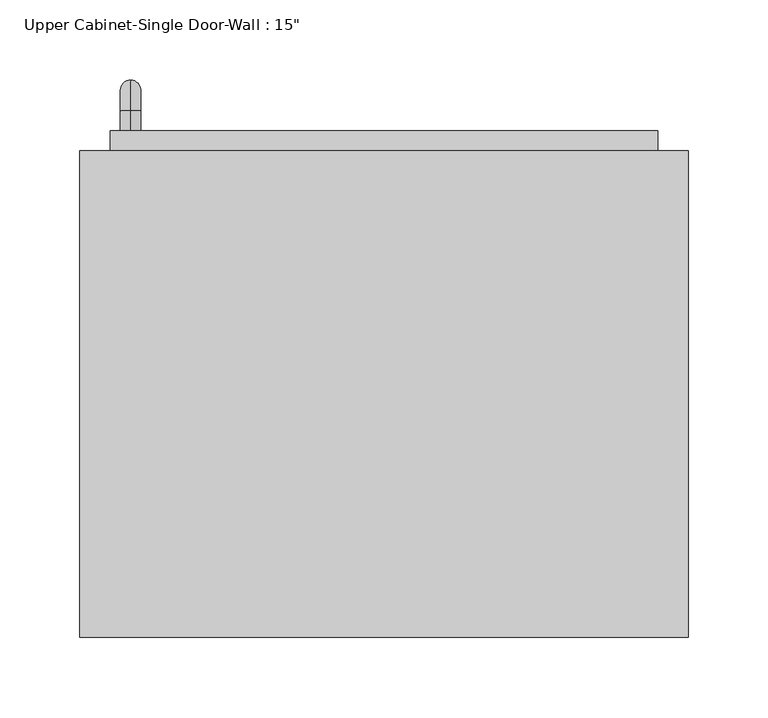
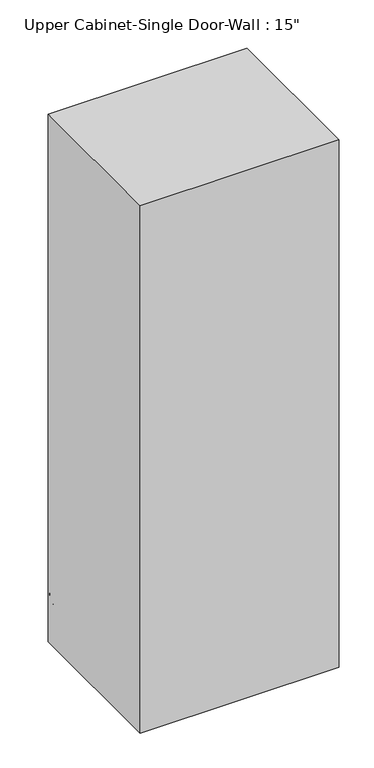
"""IFC4 building model written with IfcOpenShell, lengths in millimetres: furniture geometry."""

from ifc_helpers import new_model, si_unit, point, frame, origin, place, context, project, spatial, polyline, circle_curve, ellipse_curve, trimmed, outline, extrude, faceted_brep, source, transform, mapped, element, save
from ifc_brep_helpers import plane_surface, cylinder_surface, revolved_surface, advanced_brep


def furniture_750049b1(model_context):
    return source(origin(), model_context, "Body", "SolidModel", [
        faceted_brep([(-160.7288372, 53.975, 2133.6), (-160.7288372, 53.975, 1066.8), (220.2711628, 53.975, 1066.8), (220.2711628, 53.975, 2133.6), (-160.7288372, 358.775, 2133.6), (220.2711628, 358.775, 2133.6), (220.2711628, 358.775, 1066.8), (-160.7288372, 358.775, 1066.8), (-141.6788372, 358.775, 2114.55), (-141.6788372, 358.775, 1085.85), (201.2211628, 358.775, 1085.85), (201.2211628, 358.775, 2114.55), (201.2211628, 73.025, 2114.55), (-141.6788372, 73.025, 2114.55), (201.2211628, 73.025, 1085.85), (-141.6788372, 73.025, 1085.85)], [[[0, 1, 2, 3]], [[4, 5, 6, 7], [8, 9, 10, 11]], [[1, 0, 4, 7]], [[2, 1, 7, 6]], [[3, 2, 6, 5]], [[0, 3, 5, 4]], [[8, 11, 12, 13]], [[11, 10, 14, 12]], [[10, 9, 15, 14]], [[9, 8, 13, 15]], [[13, 12, 14, 15]]]),
        advanced_brep(
        [(-128.9788372, 371.475, 1212.85), (-128.9788372, 371.475, 1225.55), (-128.9788372, 384.175, 1212.85), (-128.9788372, 384.175, 1225.55), (-128.9788372, 403.225, 1206.5), (-128.9788372, 390.525, 1206.5), (-128.9788372, 390.525, 1130.3), (-128.9788372, 403.225, 1130.3), (-128.9788372, 384.175, 1111.25), (-128.9788372, 384.175, 1123.95), (-128.9788372, 371.475, 1123.95), (-128.9788372, 371.475, 1111.25)],
        [
            (0, 1, circle_curve(frame((-128.9788372, 371.475, 1219.2), z_axis=(0.0, -1.0, 0.0), x_axis=(0.0, 0.0, 1.0)), 6.35)),
            (1, 0, circle_curve(frame((-128.9788372, 371.475, 1219.2), z_axis=(0.0, -1.0, 0.0), x_axis=(0.0, 0.0, 1.0)), 6.35)),
            (0, 2),
            (2, 3, circle_curve(frame((-128.9788372, 384.175, 1219.2), z_axis=(0.0, -1.0, 0.0), x_axis=(0.0, 0.0, 1.0)), 6.35)),
            (3, 1),
            (3, 2, circle_curve(frame((-128.9788372, 384.175, 1219.2), z_axis=(0.0, -1.0, 0.0), x_axis=(0.0, 0.0, 1.0)), 6.35)),
            (4, 3, circle_curve(frame((-128.9788372, 384.175, 1206.5), z_axis=(1.0, 0.0, 0.0), x_axis=(0.0, 0.0, 1.0)), 19.05)),
            (2, 5, circle_curve(frame((-128.9788372, 384.175, 1206.5), z_axis=(-1.0, 0.0, 0.0), x_axis=(0.0, 0.0, 1.0)), 6.35)),
            (5, 4, circle_curve(frame((-128.9788372, 396.875, 1206.5), z_axis=(0.0, 0.0, 1.0), x_axis=(0.0, 1.0, 0.0)), 6.35)),
            (4, 5, circle_curve(frame((-128.9788372, 396.875, 1206.5), z_axis=(0.0, 0.0, 1.0), x_axis=(0.0, 1.0, 0.0)), 6.35)),
            (5, 6),
            (6, 7, circle_curve(frame((-128.9788372, 396.875, 1130.3), z_axis=(0.0, 0.0, 1.0), x_axis=(0.0, 1.0, 0.0)), 6.35)),
            (7, 4),
            (7, 6, circle_curve(frame((-128.9788372, 396.875, 1130.3), z_axis=(0.0, 0.0, 1.0), x_axis=(0.0, 1.0, 0.0)), 6.35)),
            (8, 7, circle_curve(frame((-128.9788372, 384.175, 1130.3), z_axis=(1.0, 0.0, 0.0), x_axis=(0.0, 1.0, 0.0)), 19.05)),
            (6, 9, circle_curve(frame((-128.9788372, 384.175, 1130.3), z_axis=(-1.0, 0.0, 0.0), x_axis=(0.0, 1.0, 0.0)), 6.35)),
            (9, 8, circle_curve(frame((-128.9788372, 384.175, 1117.6), z_axis=(0.0, 1.0, 0.0), x_axis=(0.0, 0.0, -1.0)), 6.35)),
            (8, 9, circle_curve(frame((-128.9788372, 384.175, 1117.6), z_axis=(0.0, 1.0, 0.0), x_axis=(0.0, 0.0, -1.0)), 6.35)),
            (10, 11, circle_curve(frame((-128.9788372, 371.475, 1117.6), z_axis=(0.0, -1.0, 0.0), x_axis=(0.0, 0.0, -1.0)), 6.35)),
            (11, 10, circle_curve(frame((-128.9788372, 371.475, 1117.6), z_axis=(0.0, -1.0, 0.0), x_axis=(0.0, 0.0, -1.0)), 6.35)),
            (9, 10),
            (11, 8),
        ],
        [
            plane_surface(frame((-135.3288372, 371.475, 1219.2), z_axis=(0.0, -1.0, 0.0), x_axis=(0.0, 0.0, 1.0))),
            cylinder_surface(frame((-128.9788372, 371.475, 1219.2), z_axis=(0.0, -1.0, 0.0), x_axis=(0.0, 0.0, 1.0)), 6.35),
            revolved_surface(trimmed(ellipse_curve(frame((-128.9788372, 384.175, 1219.2), z_axis=(0.0, -1.0, 0.0), x_axis=(0.0, 0.0, 1.0)), 6.35, 6.35), [point((-128.9788372, 384.175, 1212.85))], [point((-128.9788372, 384.175, 1225.55))], True, "CARTESIAN"), (-128.9788372, 384.175, 1206.5), (-1.0, 0.0, 0.0)),
            revolved_surface(trimmed(ellipse_curve(frame((-128.9788372, 384.175, 1219.2), z_axis=(0.0, -1.0, 0.0), x_axis=(0.0, 0.0, 1.0)), 6.35, 6.35), [point((-128.9788372, 384.175, 1225.55))], [point((-128.9788372, 384.175, 1212.85))], True, "CARTESIAN"), (-128.9788372, 384.175, 1206.5), (-1.0, 0.0, 0.0)),
            cylinder_surface(frame((-128.9788372, 396.875, 1206.5), z_axis=(0.0, 0.0, 1.0), x_axis=(0.0, 1.0, 0.0)), 6.35),
            revolved_surface(trimmed(ellipse_curve(frame((-128.9788372, 396.875, 1130.3), z_axis=(0.0, 0.0, 1.0), x_axis=(0.0, 1.0, 0.0)), 6.35, 6.35), [point((-128.9788372, 390.525, 1130.3))], [point((-128.9788372, 403.225, 1130.3))], True, "CARTESIAN"), (-128.9788372, 384.175, 1130.3), (-1.0, 0.0, 0.0)),
            revolved_surface(trimmed(ellipse_curve(frame((-128.9788372, 396.875, 1130.3), z_axis=(0.0, 0.0, 1.0), x_axis=(0.0, 1.0, 0.0)), 6.35, 6.35), [point((-128.9788372, 403.225, 1130.3))], [point((-128.9788372, 390.525, 1130.3))], True, "CARTESIAN"), (-128.9788372, 384.175, 1130.3), (-1.0, 0.0, 0.0)),
            plane_surface(frame((-135.3288372, 371.475, 1117.6), z_axis=(0.0, -1.0, 0.0), x_axis=(0.0, 0.0, -1.0))),
            cylinder_surface(frame((-128.9788372, 384.175, 1117.6), z_axis=(0.0, 1.0, 0.0), x_axis=(0.0, 0.0, -1.0)), 6.35),
        ],
        [
            (0, [[1, 2]]),
            (1, [[-1, 3, 4, 5]]),
            (1, [[-2, -5, 6, -3]]),
            (2, [[7, -4, 8, 9]]),
            (3, [[-8, -6, -7, 10]]),
            (4, [[-9, 11, 12, 13]]),
            (4, [[-10, -13, 14, -11]]),
            (5, [[15, -12, 16, 17]]),
            (6, [[-16, -14, -15, 18]]),
            (7, [[19, 20]]),
            (8, [[-17, 21, -20, 22]]),
            (8, [[-18, -22, -19, -21]]),
        ],
    ),
        extrude(outline(polyline([(-141.6788372, 371.475), (201.2211628, 371.475), (201.2211628, 339.725), (-141.6788372, 339.725), (-141.6788372, 371.475)])), frame((0.0, 0.0, 1085.85), z_axis=(0.0, 0.0, 1.0), x_axis=(1.0, 0.0, 0.0)), (0.0, 0.0, 1.0), 1028.7),
    ])


if __name__ == "__main__":
    model = new_model("IFC4")
    model_context = context("Model", 3, world=origin())
    ifc_project = project(units=[si_unit("LENGTHUNIT", "METRE", prefix="MILLI")], contexts=[model_context])
    site = spatial("IfcSite", under=ifc_project)
    building = spatial("IfcBuilding", under=site)
    placement = place(None, origin())
    furniture_shape = furniture_750049b1(model_context)
    element("IfcFurniture", 1, ObjectType="Upper Cabinet-Single Door-Wall : 15\"", at=placement, inside=building, context=model_context, shape_type="MappedRepresentation", body=[
        mapped(furniture_shape, transform((0.0, 0.0, 0.0), x_axis=(1.0, 0.0, 0.0), y_axis=(0.0, 1.0, 0.0), z_axis=(0.0, 0.0, 1.0))),
    ])
    save(model, "model.ifc")
